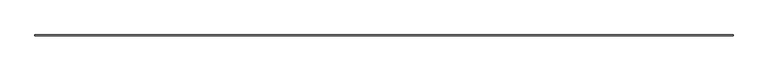
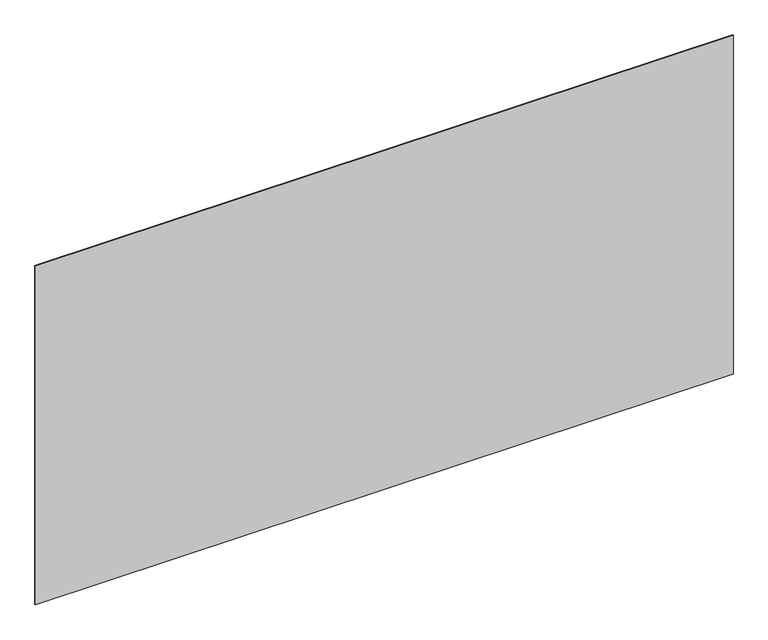
"""IFC4 building model written with IfcOpenShell, lengths in millimetres: furniture geometry."""

from ifc_helpers import new_model, si_unit, frame, origin, place, context, project, spatial, polyline, outline, extrude, source, transform, mapped, element, save


def furniture_a13e0dc2(model_context):
    return source(origin(), model_context, "Body", "SweptSolid", [
        extrude(outline(polyline([(882.1539126, 177.8), (882.1539126, 176.2125), (-304.8, 176.2125), (-304.8, 177.8), (882.1539126, 177.8)])), frame((0.0, 0.0, 1320.8), z_axis=(0.0, 0.0, 1.0), x_axis=(1.0, 0.0, 0.0)), (0.0, 0.0, 1.0), 609.6),
    ])


if __name__ == "__main__":
    model = new_model("IFC4")
    model_context = context("Model", 3, world=origin())
    ifc_project = project(units=[si_unit("LENGTHUNIT", "METRE", prefix="MILLI")], contexts=[model_context])
    site = spatial("IfcSite", under=ifc_project)
    building = spatial("IfcBuilding", under=site)
    placement = place(None, origin())
    furniture_shape = furniture_a13e0dc2(model_context)
    element("IfcFurniture", 1, at=placement, inside=building, context=model_context, shape_type="MappedRepresentation", body=[
        mapped(furniture_shape, transform((0.0, 0.0, 0.0), x_axis=(1.0, 0.0, 0.0), y_axis=(0.0, 1.0, 0.0), z_axis=(0.0, 0.0, 1.0))),
    ])
    save(model, "model.ifc")
